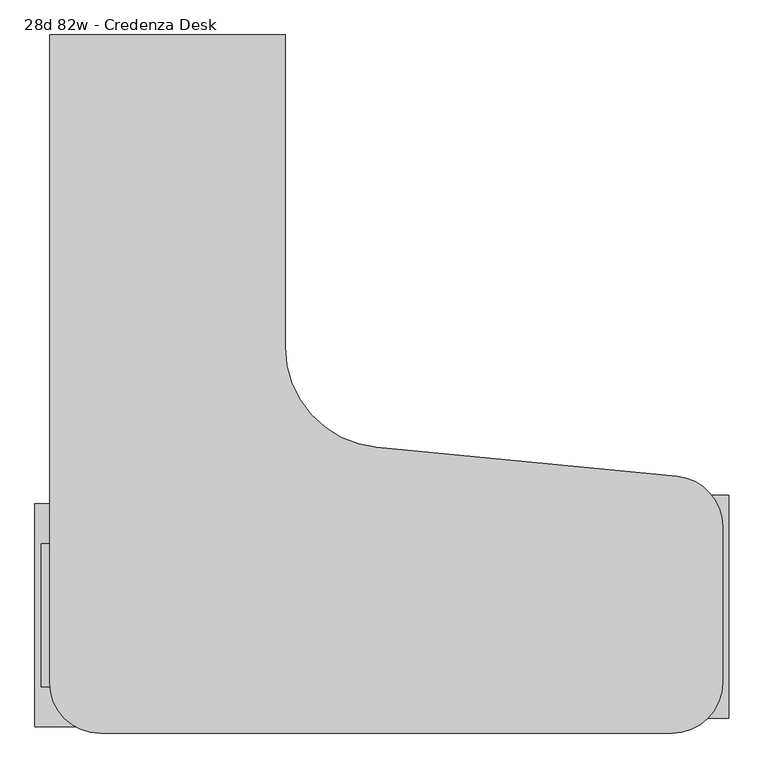
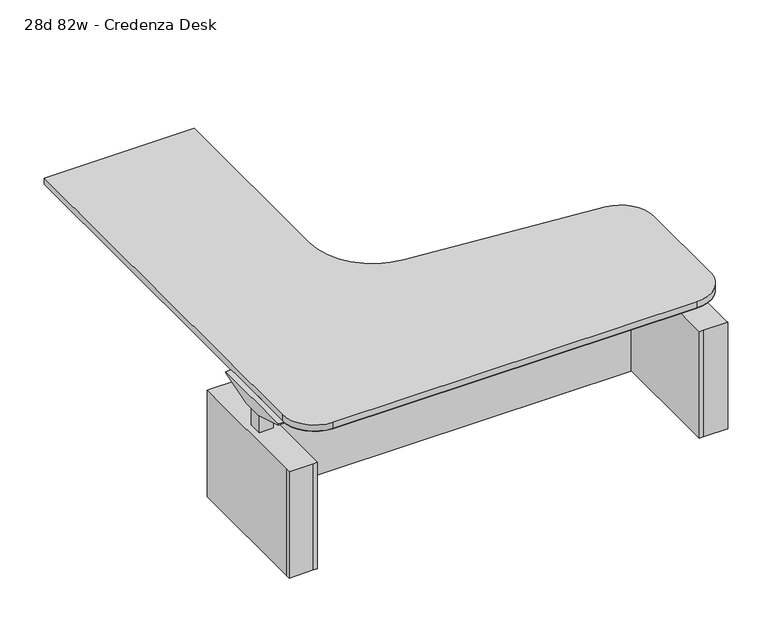
"""IFC4 building model written with IfcOpenShell, lengths in millimetres: furniture geometry, 28d 82w - Credenza Desk."""

from ifc_helpers import new_model, si_unit, point, frame, frame_2d, origin, origin_with_axes, place, context, project, spatial, polyline, circle_curve, trimmed, segment, composite_curve, outline, extrude, source, transform, mapped, element, save


def furniture_28d_82w_credenza_desk_62c03200(model_context):
    return source(origin(), model_context, "Body", "SweptSolid", [
        extrude(outline(polyline([(-1041.4, 311.15), (-925.8101562, 311.15), (-925.8101562, -361.95), (-944.8601562, -361.95), (-1060.45, -361.95), (-1060.45, -342.9), (-1060.45, 311.15), (-1041.4, 311.15)]), holes=[polyline([(-1026.1699219, 7.62), (-1026.1699219, -58.42), (-960.0902344, -58.42), (-960.0902344, 7.62), (-1026.1699219, 7.62)])]), frame((0.0, 0.0, 12.7), z_axis=(0.0, 0.0, 1.0), x_axis=(1.0, 0.0, 0.0)), (0.0, 0.0, 1.0), 533.4),
        extrude(outline(polyline([(-1041.4, 292.1), (-944.8601562, 292.1), (-944.8601562, -342.9), (-1041.4, -342.9), (-1041.4, 292.1)])), origin_with_axes(), (0.0, 0.0, 1.0), 20.6375),
        extrude(outline(polyline([(23.9599854, 648.1304493), (-74.7599854, 648.1304493), (-241.3, 700.0875), (-241.3, 706.4375), (190.5, 706.4375), (190.5, 700.0875), (23.9599854, 648.1304493)])), frame((-1041.4, 0.0, 0.0), z_axis=(1.0, 0.0, 0.0), x_axis=(0.0, 1.0, 0.0)), (0.0, 0.0, 1.0), 25.4),
        extrude(outline(polyline([(-1016.0, 3.81), (-963.9597656, 3.81), (-963.9597656, -54.61), (-1016.0, -54.61), (-1016.0, 3.81)])), frame((0.0, 0.0, 642.9375), z_axis=(0.0, 0.0, 1.0), x_axis=(1.0, 0.0, 0.0)), (0.0, 0.0, 1.0), 63.5),
        extrude(outline(polyline([(-1026.1699219, 7.62), (-960.0902344, 7.62), (-960.0902344, -58.42), (-1026.1699219, -58.42), (-1026.1699219, 7.62)])), frame((0.0, 0.0, 20.6375), z_axis=(0.0, 0.0, 1.0), x_axis=(1.0, 0.0, 0.0)), (0.0, 0.0, 1.0), 622.3),
        extrude(outline(polyline([(895.35, 219.075), (-895.35, 219.075), (-895.35, 238.125), (895.35, 238.125), (895.35, 219.075)])), frame((0.0, 0.0, 12.7), z_axis=(0.0, 0.0, 1.0), x_axis=(1.0, 0.0, 0.0)), (0.0, 0.0, 1.0), 533.4),
        extrude(outline(polyline([(1016.0, 336.55), (1035.05, 336.55), (1035.05, -317.5), (1035.05, -336.55), (919.4601563, -336.55), (900.4101563, -336.55), (900.4101563, 336.55), (1016.0, 336.55)]), holes=[polyline([(1000.7699219, 33.02), (934.6902344, 33.02), (934.6902344, -33.02), (1000.7699219, -33.02), (1000.7699219, 33.02)])]), frame((0.0, 0.0, 12.7), z_axis=(0.0, 0.0, 1.0), x_axis=(1.0, 0.0, 0.0)), (0.0, 0.0, 1.0), 533.4),
        extrude(outline(polyline([(1016.0, 317.5), (1016.0, -317.5), (919.4601563, -317.5), (919.4601563, 317.5), (1016.0, 317.5)])), origin_with_axes(), (0.0, 0.0, 1.0), 20.6375),
        extrude(outline(polyline([(49.3599854, 648.1304493), (-49.3599854, 648.1304493), (-215.9, 700.0875), (-215.9, 706.4375), (215.9, 706.4375), (215.9, 700.0875), (49.3599854, 648.1304493)])), frame((990.6, 0.0, 0.0), z_axis=(1.0, 0.0, 0.0), x_axis=(0.0, 1.0, 0.0)), (0.0, 0.0, 1.0), 25.4),
        extrude(outline(polyline([(990.6, 29.21), (990.6, -29.21), (938.5597656, -29.21), (938.5597656, 29.21), (990.6, 29.21)])), frame((0.0, 0.0, 642.9375), z_axis=(0.0, 0.0, 1.0), x_axis=(1.0, 0.0, 0.0)), (0.0, 0.0, 1.0), 63.5),
        extrude(outline(polyline([(1000.7699219, 33.02), (1000.7699219, -33.02), (934.6902344, -33.02), (934.6902344, 33.02), (1000.7699219, 33.02)])), frame((0.0, 0.0, 20.6375), z_axis=(0.0, 0.0, 1.0), x_axis=(1.0, 0.0, 0.0)), (0.0, 0.0, 1.0), 622.3),
        extrude(outline(composite_curve([segment(polyline([(-1016.0, 1727.2), (-304.8, 1727.2), (-304.8, 784.8980895)]), True, "CONTINUOUS"), segment(trimmed(circle_curve(frame_2d((0.0, 784.8980895)), 304.8), [point((-304.8, 784.8980895))], [point((-29.1731415, 481.4974175))], True, "CARTESIAN"), True, "CONTINUOUS"), segment(polyline([(-29.1731415, 481.4974175), (878.1865708, 394.2512913)]), True, "CONTINUOUS"), segment(trimmed(circle_curve(frame_2d((863.6, 242.5509552)), 152.4), [point((878.1865708, 394.2512913))], [point((1016.0, 242.5509552))], False, "CARTESIAN"), True, "CONTINUOUS"), segment(polyline([(1016.0, 242.5509552), (1016.0, -228.6)]), True, "CONTINUOUS"), segment(trimmed(circle_curve(frame_2d((863.6, -228.6)), 152.4), [point((1016.0, -228.6))], [point((863.6, -381.0))], False, "CARTESIAN"), True, "CONTINUOUS"), segment(polyline([(863.6, -381.0), (-863.6, -381.0)]), True, "CONTINUOUS"), segment(trimmed(circle_curve(frame_2d((-863.6, -228.6)), 152.4), [point((-863.6, -381.0))], [point((-1016.0, -228.6))], False, "CARTESIAN"), True, "CONTINUOUS"), segment(polyline([(-1016.0, -228.6), (-1016.0, 1727.2)]), True, "CONTINUOUS")], self_intersect=False)), frame((0.0, 0.0, 706.4375), z_axis=(0.0, 0.0, 1.0), x_axis=(1.0, 0.0, 0.0)), (0.0, 0.0, 1.0), 30.1625),
        extrude(outline(composite_curve([segment(polyline([(-1016.0, 1727.2), (-304.8, 1727.2), (-304.8, 784.8980895)]), True, "CONTINUOUS"), segment(trimmed(circle_curve(frame_2d((0.0, 784.8980895)), 304.8), [point((-304.8, 784.8980895))], [point((-29.1731415, 481.4974175))], True, "CARTESIAN"), True, "CONTINUOUS"), segment(polyline([(-29.1731415, 481.4974175), (878.1865708, 394.2512913)]), True, "CONTINUOUS"), segment(trimmed(circle_curve(frame_2d((863.6, 242.5509552)), 152.4), [point((878.1865708, 394.2512913))], [point((1016.0, 242.5509552))], False, "CARTESIAN"), True, "CONTINUOUS"), segment(polyline([(1016.0, 242.5509552), (1016.0, -228.6)]), True, "CONTINUOUS"), segment(trimmed(circle_curve(frame_2d((863.6, -228.6)), 152.4), [point((1016.0, -228.6))], [point((863.6, -381.0))], False, "CARTESIAN"), True, "CONTINUOUS"), segment(polyline([(863.6, -381.0), (-863.6, -381.0)]), True, "CONTINUOUS"), segment(trimmed(circle_curve(frame_2d((-863.6, -228.6)), 152.4), [point((-863.6, -381.0))], [point((-1016.0, -228.6))], False, "CARTESIAN"), True, "CONTINUOUS"), segment(polyline([(-1016.0, -228.6), (-1016.0, 1727.2)]), True, "CONTINUOUS")], self_intersect=False)), frame((0.0, 0.0, 704.85), z_axis=(0.0, 0.0, 1.0), x_axis=(1.0, 0.0, 0.0)), (0.0, 0.0, 1.0), 31.75),
    ])


if __name__ == "__main__":
    model = new_model("IFC4")
    model_context = context("Model", 3, world=origin())
    ifc_project = project(units=[si_unit("LENGTHUNIT", "METRE", prefix="MILLI")], contexts=[model_context])
    site = spatial("IfcSite", under=ifc_project)
    building = spatial("IfcBuilding", under=site)
    placement = place(None, origin())
    furniture_28d_82w_credenza_desk_shape = furniture_28d_82w_credenza_desk_62c03200(model_context)
    element("IfcFurniture", 1, ObjectType="28d 82w - Credenza Desk", at=placement, inside=building, context=model_context, shape_type="MappedRepresentation", body=[
        mapped(furniture_28d_82w_credenza_desk_shape, transform((0.0, 0.0, 0.0), x_axis=(1.0, 0.0, 0.0), y_axis=(0.0, 1.0, 0.0), z_axis=(0.0, 0.0, 1.0))),
    ])
    save(model, "model.ifc")
